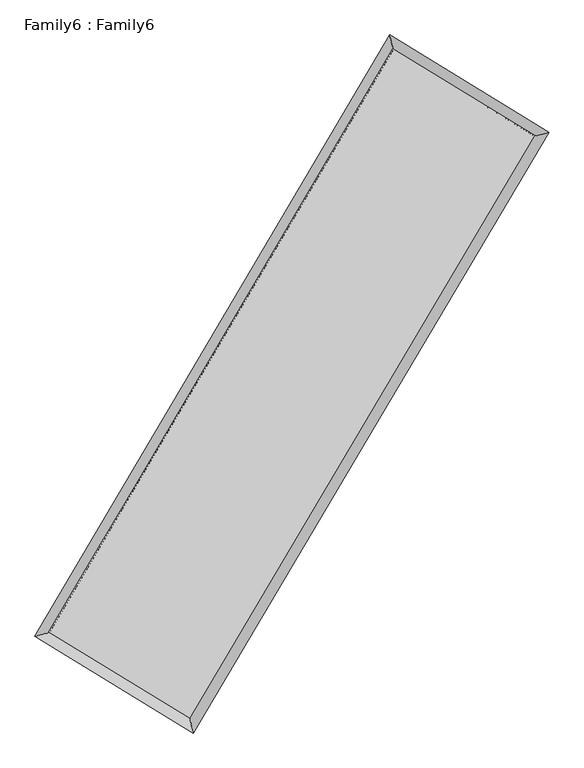
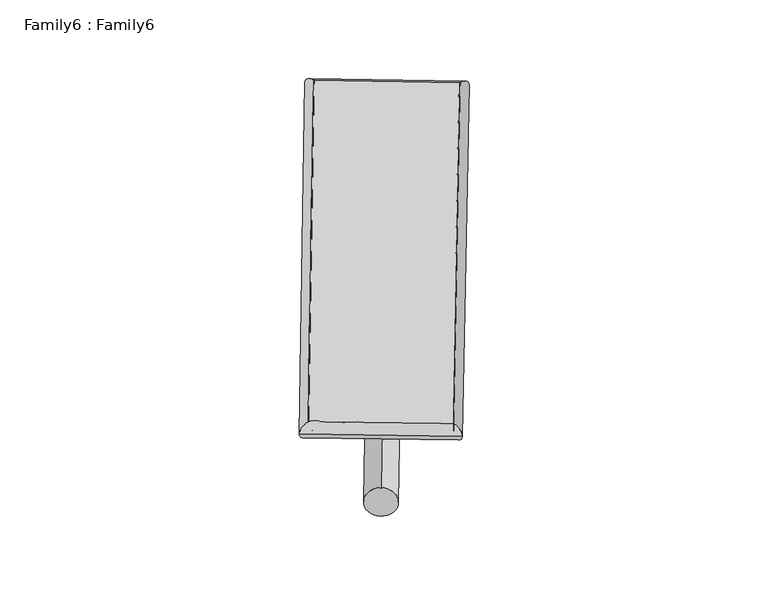
"""IFC4 building model written with IfcOpenShell, lengths in millimetres: plate geometry, Family6 : Family6."""

import ifcopenshell
import ifcopenshell.guid

model = None  # the IFC model being written
_history = None  # IfcOwnerHistory: only IFC2X3 demands one
_inside = {}  # id of a spatial element -> (the spatial element, [elements in it])
_under = {}  # id of a project, library or spatial element -> (it, [spatial elements below it])
_declared = {}  # id of a project -> (the project, [libraries it declares])
_typed = {}  # id of a type object -> (the type object, [elements of that type])
_made_of = {}  # id of a material, layer set ... -> (it, [elements and type objects made of it])


def new_model(schema):
    """Start an empty IFC model of exactly this schema.

    Asked for "IFC4X3", IfcOpenShell would pick the latest addendum, in which some entities
    have other attributes; the version numbers below select the first issue.
    IFC2X3 requires an IfcOwnerHistory on every rooted entity: one is made here for all.
    """
    global model, _history
    if schema == "IFC4X3":
        model = ifcopenshell.file(schema_version=(4, 3, 0, 0))
    else:
        model = ifcopenshell.file(schema=schema)
    _inside.clear()
    _under.clear()
    _declared.clear()
    _typed.clear()
    _made_of.clear()
    _history = None
    if model.schema == "IFC2X3":
        org = make("IfcOrganization", Name="unknown")
        user = make(
            "IfcPersonAndOrganization",
            ThePerson=make("IfcPerson", FamilyName="unknown"),
            TheOrganization=org,
        )
        app = make(
            "IfcApplication",
            ApplicationDeveloper=org,
            Version="unknown",
            ApplicationFullName="unknown",
            ApplicationIdentifier="unknown",
        )
        _history = make(
            "IfcOwnerHistory",
            OwningUser=user,
            OwningApplication=app,
            ChangeAction="ADDED",
            CreationDate=0,
        )
    return model


def make(cls, **values):
    """One entity of the class cls with the attributes given. An attribute that is None is left unset."""
    return model.create_entity(
        cls, **{name: value for name, value in values.items() if value is not None}
    )


def rooted(cls, **values):
    """An entity with a GlobalId (a new one), such as an element, a storey or a relation."""
    return make(cls, GlobalId=ifcopenshell.guid.new(), OwnerHistory=_history, **values)


def si_unit(unit_type, name, prefix=None):
    """IfcSIUnit, for example si_unit("LENGTHUNIT", "METRE", prefix="MILLI")."""
    return make("IfcSIUnit", UnitType=unit_type, Prefix=prefix, Name=name)


def assignment(units):
    """IfcUnitAssignment: the units of a project."""
    return None if units is None else make("IfcUnitAssignment", Units=units)


def point(xyz):
    """IfcCartesianPoint."""
    return None if xyz is None else make("IfcCartesianPoint", Coordinates=xyz)


def direction(xyz):
    """IfcDirection."""
    return None if xyz is None else make("IfcDirection", DirectionRatios=xyz)


def frame(location, z_axis=None, x_axis=None):
    """IfcAxis2Placement3D, a coordinate frame: its origin and axes. An axis left out is left unset."""
    return make(
        "IfcAxis2Placement3D",
        Location=point(location),
        Axis=direction(z_axis),
        RefDirection=direction(x_axis),
    )


def frame_2d(location, x_axis=None):
    """IfcAxis2Placement2D, a coordinate frame in the plane: its origin and x axis."""
    return make(
        "IfcAxis2Placement2D", Location=point(location), RefDirection=direction(x_axis)
    )


def origin():
    """The frame at (0, 0, 0) with its axes left unset."""
    return frame((0.0, 0.0, 0.0))


def origin_2d():
    """The frame at (0, 0) in the plane with its x axis left unset."""
    return frame_2d((0.0, 0.0))


def place(relative_to, where):
    """IfcLocalPlacement: puts the frame where relative to a parent placement (None: the world)."""
    return make(
        "IfcLocalPlacement", PlacementRelTo=relative_to, RelativePlacement=where
    )


def context(
    kind, dimensions, precision=None, world=None, true_north=None, identifier=None
):
    """IfcGeometricRepresentationContext, for example the 3D "Model" context."""
    return make(
        "IfcGeometricRepresentationContext",
        ContextIdentifier=identifier,
        ContextType=kind,
        CoordinateSpaceDimension=dimensions,
        Precision=precision,
        WorldCoordinateSystem=world,
        TrueNorth=true_north,
    )


def project(units=None, contexts=None):
    """IfcProject with its units and contexts."""
    return rooted(
        "IfcProject",
        Name="project",
        RepresentationContexts=contexts,
        UnitsInContext=assignment(units),
    )


def spatial(cls, under=None, at=None, **own):
    """A site, building, storey or space (cls), placed at a placement, below another one or the project."""
    s = rooted(cls, ObjectPlacement=at, **own)
    if under is not None:
        _under.setdefault(under.id(), (under, []))[1].append(s)
    return s


def circle_curve(where, radius):
    """IfcCircle in the frame where."""
    return make("IfcCircle", Position=where, Radius=radius)


def ellipse_curve(where, semi_axis1, semi_axis2):
    """IfcEllipse in the frame where."""
    return make(
        "IfcEllipse", Position=where, SemiAxis1=semi_axis1, SemiAxis2=semi_axis2
    )


def trimmed(basis, trim1, trim2, sense, master):
    """IfcTrimmedCurve: the piece of a basis curve between two trims."""
    return make(
        "IfcTrimmedCurve",
        BasisCurve=basis,
        Trim1=trim1,
        Trim2=trim2,
        SenseAgreement=sense,
        MasterRepresentation=master,
    )


def segment(curve, same_sense, transition):
    """IfcCompositeCurveSegment."""
    return make(
        "IfcCompositeCurveSegment",
        Transition=transition,
        SameSense=same_sense,
        ParentCurve=curve,
    )


def composite_curve(segments, self_intersect=None):
    """IfcCompositeCurve: segments joined end to end."""
    return make("IfcCompositeCurve", Segments=segments, SelfIntersect=self_intersect)


def outline(outer, holes=None, kind="AREA"):
    """IfcArbitraryClosedProfileDef: a profile drawn as a closed curve; with holes, ...WithVoids."""
    if holes is None:
        return make("IfcArbitraryClosedProfileDef", ProfileType=kind, OuterCurve=outer)
    return make(
        "IfcArbitraryProfileDefWithVoids",
        ProfileType=kind,
        OuterCurve=outer,
        InnerCurves=holes,
    )


def extrude(swept, where, along, depth):
    """IfcExtrudedAreaSolid: the profile swept, set in the frame where, extruded along a direction by depth."""
    return make(
        "IfcExtrudedAreaSolid",
        SweptArea=swept,
        Position=where,
        ExtrudedDirection=direction(along),
        Depth=depth,
    )


def shape(context_of_items, identifier, shape_type, items):
    """IfcShapeRepresentation: the items that make up one representation, for example the "Body"."""
    return make(
        "IfcShapeRepresentation",
        ContextOfItems=context_of_items,
        RepresentationIdentifier=identifier,
        RepresentationType=shape_type,
        Items=items,
    )


def source(mapping_origin, context_of_items, identifier, shape_type, items):
    """IfcRepresentationMap: a shape defined once, which mapped items show again and again."""
    return make(
        "IfcRepresentationMap",
        MappingOrigin=mapping_origin,
        MappedRepresentation=shape(context_of_items, identifier, shape_type, items),
    )


def transform(
    local_origin,
    x_axis=None,
    y_axis=None,
    z_axis=None,
    scale=None,
    scale2=None,
    scale3=None,
    uniform=True,
):
    """IfcCartesianTransformationOperator3D, or its non-uniform kind. x_axis, y_axis, z_axis: its Axis1, 2, 3."""
    if uniform:
        return make(
            "IfcCartesianTransformationOperator3D",
            Axis1=direction(x_axis),
            Axis2=direction(y_axis),
            LocalOrigin=point(local_origin),
            Scale=scale,
            Axis3=direction(z_axis),
        )
    return make(
        "IfcCartesianTransformationOperator3DnonUniform",
        Axis1=direction(x_axis),
        Axis2=direction(y_axis),
        LocalOrigin=point(local_origin),
        Scale=scale,
        Axis3=direction(z_axis),
        Scale2=scale2,
        Scale3=scale3,
    )


def mapped(mapping_source, mapping_target):
    """IfcMappedItem: shows the shape of a source again, moved by a transform."""
    return make(
        "IfcMappedItem", MappingSource=mapping_source, MappingTarget=mapping_target
    )


def made_of(thing, what):
    """Note that an element or type object is made of a material, layer set ...; save() writes the relation."""
    if what is not None:
        _made_of.setdefault(what.id(), (what, []))[1].append(thing)
    return thing


def element(
    cls,
    number,
    at=None,
    inside=None,
    cuts=None,
    type_object=None,
    material=None,
    context=None,
    identifier="Body",
    shape_type=None,
    held_by="IfcProductDefinitionShape",
    body=None,
    shapes=None,
    **own,
):
    """One element of the class cls, such as IfcWall. Its Tag is "e" and its number.

    at: its placement. inside: the storey or other place that contains it. cuts: it is an
    opening in that element (IfcRelVoidsElement). A single representation is given by context,
    identifier, shape_type and body (its items); several are given by shapes. held_by: the class
    of the entity that holds the representations. save() writes the other relations.
    """
    e = rooted(cls, Tag="e%d" % number, ObjectPlacement=at, **own)
    if body is not None:
        shapes = [shape(context, identifier, shape_type, body)]
    if shapes is not None:
        e.Representation = make(held_by, Representations=shapes)
    if inside is not None:
        _inside.setdefault(inside.id(), (inside, []))[1].append(e)
    if cuts is not None:
        rooted(
            "IfcRelVoidsElement", RelatingBuildingElement=cuts, RelatedOpeningElement=e
        )
    if type_object is not None:
        _typed.setdefault(type_object.id(), (type_object, []))[1].append(e)
    return made_of(e, material)


def aggregate(whole, parts):
    """IfcRelAggregates: a whole, such as a stair, and the parts it consists of."""
    return rooted("IfcRelAggregates", RelatingObject=whole, RelatedObjects=parts)


def save(model, path):
    """Write the relations noted so far, then the file.

    IfcRelAggregates (storeys below a building ...), IfcRelContainedInSpatialStructure (elements
    in a storey), IfcRelDefinesByType, IfcRelAssociatesMaterial and IfcRelDeclares: one each for
    every whole, place, type object, material and project.
    """
    for whole, parts in _under.values():
        aggregate(whole, parts)
    for where, things in _inside.values():
        rooted(
            "IfcRelContainedInSpatialStructure",
            RelatedElements=things,
            RelatingStructure=where,
        )
    for kind, things in _typed.values():
        rooted("IfcRelDefinesByType", RelatedObjects=things, RelatingType=kind)
    for what, things in _made_of.values():
        rooted("IfcRelAssociatesMaterial", RelatedObjects=things, RelatingMaterial=what)
    for by, libraries in _declared.values():
        rooted("IfcRelDeclares", RelatingContext=by, RelatedDefinitions=libraries)
    model.write(path)


def plane_surface(at):
    """IfcPlane: the flat surface through the origin of the frame at, square to its z axis."""
    return make("IfcPlane", Position=at)


def cylinder_surface(at, radius):
    """IfcCylindricalSurface: all points at the distance radius from the z axis of the frame at."""
    return make("IfcCylindricalSurface", Position=at, Radius=radius)


def spline_surface(u_degree, v_degree, points, u_multiplicities, v_multiplicities, u_knots, v_knots, weights=None):
    """IfcBSplineSurfaceWithKnots; with weights, IfcRationalBSplineSurfaceWithKnots. points: one row for each step in u."""
    own = dict(
        UDegree=u_degree,
        VDegree=v_degree,
        ControlPointsList=[[point(p) for p in row] for row in points],
        SurfaceForm="UNSPECIFIED",
        UClosed=False,
        VClosed=False,
        SelfIntersect=False,
        UMultiplicities=u_multiplicities,
        VMultiplicities=v_multiplicities,
        UKnots=u_knots,
        VKnots=v_knots,
        KnotSpec="UNSPECIFIED",
    )
    if weights is None:
        return make("IfcBSplineSurfaceWithKnots", **own)
    return make("IfcRationalBSplineSurfaceWithKnots", WeightsData=weights, **own)


def advanced_brep(points, edges, surfaces, faces):
    """IfcAdvancedBrep: a solid bounded by faces that lie on surfaces and meet in shared edges.

    An edge is (start, end): straight between two places in points (the first is 0);
    or (start, end, curve); or (start, end, curve, False) where it runs against its curve.
    A face is (place in surfaces, loops), or (place, loops, False) where it looks against
    its surface's normal. A loop lists edges by number (the first is 1), with a minus sign
    where the edge is run from its end to its start. The first loop is the outer one.
    """
    corners = [point(p) for p in points]
    vertices = [make("IfcVertexPoint", VertexGeometry=c) for c in corners]
    made = []
    for start, end, *more in edges:
        made.append(
            make(
                "IfcEdgeCurve",
                EdgeStart=vertices[start],
                EdgeEnd=vertices[end],
                EdgeGeometry=more[0] if more else make("IfcPolyline", Points=[corners[start], corners[end]]),
                SameSense=more[1] if len(more) > 1 else True,
            )
        )
    hull = []
    for where, loops, *sense in faces:
        bounds = []
        for j, loop in enumerate(loops):
            ring = [make("IfcOrientedEdge", EdgeElement=made[abs(k) - 1], Orientation=k > 0) for k in loop]
            bounds.append(
                make(
                    "IfcFaceOuterBound" if j == 0 else "IfcFaceBound",
                    Bound=make("IfcEdgeLoop", EdgeList=ring),
                    Orientation=True,
                )
            )
        hull.append(make("IfcAdvancedFace", Bounds=bounds, FaceSurface=surfaces[where], SameSense=sense[0] if sense else True))
    return make("IfcAdvancedBrep", Outer=make("IfcClosedShell", CfsFaces=hull))


def family6_family6_dee42388(model_context):
    return source(origin(), model_context, "Body", "SolidModel", [
        extrude(outline(composite_curve([segment(trimmed(circle_curve(origin_2d(), 76.2), [point((-75.4341514, -10.7763074))], [point((75.4341514, 10.7763074))], False, "CARTESIAN"), True, "CONTINUOUS"), segment(trimmed(circle_curve(origin_2d(), 76.2), [point((75.4341514, 10.7763074))], [point((-75.4341514, -10.7763074))], False, "CARTESIAN"), True, "CONTINUOUS")], self_intersect=False)), frame((9144.0, 9144.0, 0.0), z_axis=(0.67365245083865, 0.6864671898137119, 0.27377942360291735), x_axis=(-0.6786099027872484, 0.7212759083965185, -0.13874315769023934)), (0.0, 0.0, 1.0), 5555.7405023),
        extrude(outline(composite_curve([segment(trimmed(circle_curve(origin_2d(), 76.2), [point((-53.8815367, 53.8815367))], [point((53.8815367, -53.8815367))], False, "CARTESIAN"), True, "CONTINUOUS"), segment(trimmed(circle_curve(origin_2d(), 76.2), [point((53.8815367, -53.8815367))], [point((-53.8815367, 53.8815367))], False, "CARTESIAN"), True, "CONTINUOUS")], self_intersect=False)), frame((9144.0, 9144.0, 0.0), z_axis=(-0.6725479664735341, -0.6875443999993214, 0.2737917654384211), x_axis=(0.6420968743776497, -0.35817825646970414, 0.6778052378867956)), (0.0, 0.0, 1.0), 5555.3226792),
        extrude(outline(composite_curve([segment(trimmed(circle_curve(origin_2d(), 76.2), [point((-53.8815367, -53.8815367))], [point((53.8815367, 53.8815367))], False, "CARTESIAN"), True, "CONTINUOUS"), segment(trimmed(circle_curve(origin_2d(), 76.2), [point((53.8815367, 53.8815367))], [point((-53.8815367, -53.8815367))], False, "CARTESIAN"), True, "CONTINUOUS")], self_intersect=False)), frame((9144.0, 9144.0, 0.0), z_axis=(0.2779643081142717, 0.9211550185320244, 0.2724137941584824), x_axis=(-0.8390634566362796, 0.37089537932959077, -0.39800644885420805)), (0.0, 0.0, 1.0), 5594.1577223),
        extrude(outline(composite_curve([segment(trimmed(circle_curve(origin_2d(), 76.2), [point((-75.4341514, 10.7763074))], [point((75.4341514, -10.7763074))], False, "CARTESIAN"), True, "CONTINUOUS"), segment(trimmed(circle_curve(origin_2d(), 76.2), [point((75.4341514, -10.7763074))], [point((-75.4341514, 10.7763074))], False, "CARTESIAN"), True, "CONTINUOUS")], self_intersect=False)), frame((9144.0, 9144.0, 0.0), z_axis=(-0.279261526560989, -0.9207026650727033, 0.27261621798940705), x_axis=(0.8771455883378103, -0.1290914273376464, 0.4625483977352486)), (0.0, 0.0, 1.0), 5589.6930764),
        advanced_brep(
        [(5200.239332, 5272.553772, 1521.2292165), (5615.3189983, 5376.3846099, 1521.2883861), (5615.3187259, 5376.3842315, 1520.7739914), (10751.5480548, 14086.2129575, 1523.6124763), (10646.4043067, 14507.9599631, 1524.2389842), (5200.2390597, 5272.5533936, 1520.7148217), (12679.0101726, 12906.25043, 1521.0765224), (13094.2662387, 13009.41671, 1521.0183424), (7530.5322756, 4208.0859181, 1523.7883566), (7635.4952814, 3787.0234572, 1523.8936158)],
        [
            (0, 1, ellipse_curve(frame((5407.779029, 5324.4690017, 1521.0016039), z_axis=(-0.24266951037828247, 0.970108842538803, -0.0005851160470327971), x_axis=(-0.9701083883094417, -0.24266999622756727, -0.0009939127576833445)), 213.9349359, 152.4)),
            (1, 2, ellipse_curve(frame((5407.779029, 5324.4690017, 1521.0016039), z_axis=(-0.24266951037828247, 0.970108842538803, -0.0005851160470327971), x_axis=(-0.9701083883094417, -0.24266999622756727, -0.0009939127576833445)), 213.9349359, 152.4)),
            (2, 3),
            (3, 4, ellipse_curve(frame((10698.9761808, 14297.0864603, 1523.9257302), z_axis=(-0.9703005216179993, -0.2419019177766305, 0.000599936518999322), x_axis=(0.24190127150163393, -0.9703003693960718, -0.000983867744903536)), 217.3281953, 152.4)),
            (4, 0),
            (2, 5, ellipse_curve(frame((5407.779029, 5324.4690017, 1521.0016039), z_axis=(-0.24266951037828247, 0.970108842538803, -0.0005851160470327971), x_axis=(-0.9701083883094417, -0.24266999622756727, -0.0009939127576833445)), 213.9349359, 152.4)),
            (5, 0, ellipse_curve(frame((5407.779029, 5324.4690017, 1521.0016039), z_axis=(-0.24266951037828247, 0.970108842538803, -0.0005851160470327971), x_axis=(-0.9701083883094417, -0.24266999622756727, -0.0009939127576833445)), 213.9349359, 152.4)),
            (4, 3, ellipse_curve(frame((10698.9761808, 14297.0864603, 1523.9257302), z_axis=(-0.9703005216179993, -0.2419019177766305, 0.000599936518999322), x_axis=(0.24190127150163393, -0.9703003693960718, -0.000983867744903536)), 217.3281953, 152.4)),
            (3, 6),
            (6, 7, ellipse_curve(frame((12886.6382056, 12957.83357, 1521.0474324), z_axis=(-0.2411104606113493, 0.9704974943909023, 0.0005993035654918328), x_axis=(-0.9704970493954648, -0.2411109617573688, 0.0009905731337366934)), 213.9398367, 152.4)),
            (7, 4),
            (7, 6, ellipse_curve(frame((12886.6382056, 12957.83357, 1521.0474324), z_axis=(-0.2411104606113493, 0.9704974943909023, 0.0005993035654918328), x_axis=(-0.9704970493954648, -0.2411109617573688, 0.0009905731337366934)), 213.9398367, 152.4)),
            (6, 8),
            (8, 9, ellipse_curve(frame((7583.0137785, 3997.5546876, 1523.8409862), z_axis=(0.9703061469128288, 0.2418793470537594, 0.0006022723860393552), x_axis=(-0.24187870925630783, 0.9703060067313516, -0.0009712412474818798)), 216.9740436, 152.4)),
            (9, 7),
            (9, 8, ellipse_curve(frame((7583.0137785, 3997.5546876, 1523.8409862), z_axis=(0.9703061469128288, 0.2418793470537594, 0.0006022723860393552), x_axis=(-0.24187870925630783, 0.9703060067313516, -0.0009712412474818798)), 216.9740436, 152.4)),
            (8, 1),
            (5, 9),
        ],
        [
            cylinder_surface(frame((5407.779029, 5324.4690017, 1521.0016039), z_axis=(-0.5079603207829833, -0.8613804233361884, -0.00028071910814738777), x_axis=(-0.8613793602493579, 0.5079591170167949, 0.001770077943170629)), 152.4),
            cylinder_surface(frame((10698.9761808, 14297.0864603, 1523.9257302), z_axis=(-0.8528736868814254, 0.5221160934760447, 0.0011221223634323505), x_axis=(0.5221170791455787, 0.852873331191084, 0.000914662513202096)), 152.4),
            cylinder_surface(frame((12886.6382056, 12957.83357, 1521.0474324), z_axis=(0.5093637098616938, 0.8605512995131818, -0.0002682948128235723), x_axis=(0.8605513382017719, -0.5093637098616937, 7.345115462939524e-05)), 152.4),
            cylinder_surface(frame((7583.0137785, 3997.5546876, 1523.8409862), z_axis=(0.8536993953398705, -0.5207649187629383, 0.0011143528031845368), x_axis=(-0.5207643363045988, -0.8537001180023096, -0.0007839362687167463)), 152.4),
        ],
        [
            (0, [[1, 2, 3, 4, 5]]),
            (0, [[6, 7, -5, 8, -3]]),
            (1, [[-4, 9, 10, 11]]),
            (1, [[-8, -11, 12, -9]]),
            (2, [[-10, 13, 14, 15]]),
            (2, [[-12, -15, 16, -13]]),
            (3, [[-14, 17, -1, -7, 18]]),
            (3, [[-16, -18, -6, -2, -17]]),
        ],
    ),
        extrude(outline(composite_curve([segment(trimmed(circle_curve(origin_2d(), 304.8), [point((0.0, 304.8))], [point((0.0, -304.8))], False, "CARTESIAN"), True, "CONTINUOUS"), segment(trimmed(circle_curve(origin_2d(), 304.8), [point((0.0, -304.8))], [point((0.0, 304.8))], False, "CARTESIAN"), True, "CONTINUOUS")], self_intersect=False)), frame((11800.8523931, 13643.825497, -1.89e-05), z_axis=(-0.508426399516996, -0.8611054501477644, 3.626096343596868e-09), x_axis=(-0.8611054501477644, 0.508426399516996, -9.905957280015083e-10)), (0.0, 0.0, 1.0), 10451.2763129),
        advanced_brep(
        [(5407.779029, 5324.4690017, 1521.0016039), (7583.0137785, 3997.5546876, 1523.8409862), (7583.014762, 3997.5529875, 1676.2409862), (5407.7800125, 5324.4673016, 1673.4016039), (12886.6382056, 12957.83357, 1521.0474324), (12886.6391891, 12957.8318698, 1673.4474324), (10698.9761808, 14297.0864603, 1523.9257302), (10698.9771643, 14297.0847602, 1676.3257302)],
        [
            (0, 1),
            (1, 2),
            (2, 3),
            (3, 0),
            (1, 4),
            (4, 5),
            (5, 2),
            (4, 6),
            (6, 7),
            (7, 5),
            (6, 0),
            (3, 7),
        ],
        [
            plane_surface(frame((6495.3964037, 4661.0118447, 1522.4212951), z_axis=(-0.5207652362286098, -0.8536999289550031, -6.163029775330966e-06), x_axis=(0.8536993953398704, -0.5207649187629384, 0.0011143528031845366))),
            plane_surface(frame((10234.825992, 8477.6941288, 1522.4442093), z_axis=(0.8605513288954886, -0.5093637307562827, -1.123609212125031e-05), x_axis=(0.5093637098616934, 0.8605512995131819, -0.0002682948128235727))),
            plane_surface(frame((11792.8071932, 13627.4600151, 1522.4865813), z_axis=(0.5221164280610235, 0.8528742202171642, 6.145098156758373e-06), x_axis=(-0.8528736868814254, 0.5221160934760447, 0.0011221223634323499))),
            plane_surface(frame((8053.3776049, 9810.777731, 1522.4636671), z_axis=(-0.861380458822422, 0.5079603380509701, 1.122578681175525e-05), x_axis=(-0.5079603207829834, -0.8613804233361884, -0.00028071910814738815))),
            spline_surface(1, 1, [[(7583.014762, 3997.5529875, 1676.2409862), (5407.7800125, 5324.4673016, 1673.4016039)], [(12886.6391891, 12957.8318698, 1673.4474324), (10698.9771643, 14297.0847602, 1676.3257302)]], [2, 2], [2, 2], [0.0, 1.0], [0.0, 1.0]),
            spline_surface(1, 1, [[(10698.9761808, 14297.0864603, 1523.9257302), (5407.779029, 5324.4690017, 1521.0016039)], [(12886.6382056, 12957.83357, 1521.0474324), (7583.0137785, 3997.5546876, 1523.8409862)]], [2, 2], [2, 2], [0.0, 1.0], [0.0, 1.0]),
        ],
        [
            (0, [[1, 2, 3, 4]]),
            (1, [[5, 6, 7, -2]]),
            (2, [[8, 9, 10, -6]]),
            (3, [[11, -4, 12, -9]]),
            (4, [[-3, -7, -10, -12]]),
            (5, [[-11, -8, -5, -1]]),
        ],
    ),
    ])


if __name__ == "__main__":
    model = new_model("IFC4")
    model_context = context("Model", 3, world=origin())
    ifc_project = project(units=[si_unit("LENGTHUNIT", "METRE", prefix="MILLI")], contexts=[model_context])
    site = spatial("IfcSite", under=ifc_project)
    building = spatial("IfcBuilding", under=site)
    placement = place(None, origin())
    family6_family6_shape = family6_family6_dee42388(model_context)
    element("IfcPlate", 1, ObjectType="Family6 : Family6", at=placement, inside=building, context=model_context, shape_type="MappedRepresentation", body=[
        mapped(family6_family6_shape, transform((0.0, 0.0, 0.0), x_axis=(1.0, 0.0, 0.0), y_axis=(0.0, 1.0, 0.0), z_axis=(0.0, 0.0, 1.0))),
    ])
    save(model, "model.ifc")
